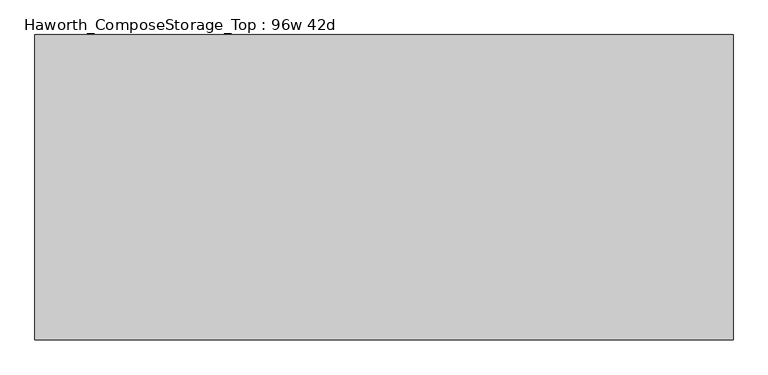
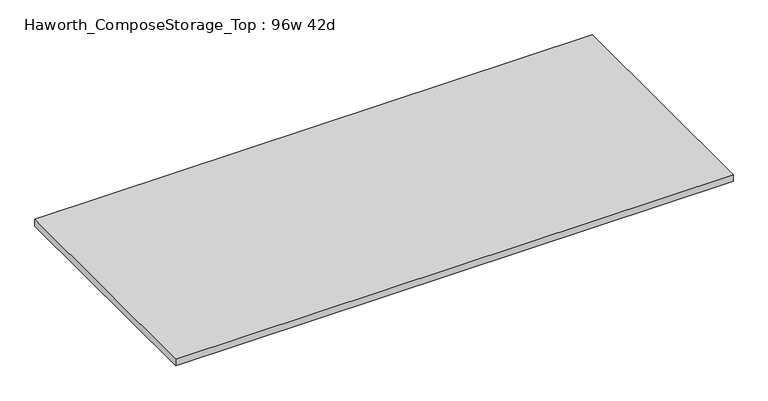
"""IFC4 building model written with IfcOpenShell, lengths in millimetres: furniture geometry, Haworth_ComposeStorage_Top : 96w 42d."""

from ifc_helpers import new_model, si_unit, frame, origin, place, context, project, spatial, polyline, outline, extrude, source, transform, mapped, element, save


def haworth_composestorage_top_96w_42d_392e64f5(model_context):
    return source(origin(), model_context, "Body", "SweptSolid", [
        extrude(outline(polyline([(1219.2, 533.4), (1219.2, -533.4), (-1219.2, -533.4), (-1219.2, 533.4), (1219.2, 533.4)])), frame((0.0, 0.0, 706.4375), z_axis=(0.0, 0.0, 1.0), x_axis=(1.0, 0.0, 0.0)), (0.0, 0.0, 1.0), 30.1625),
    ])


if __name__ == "__main__":
    model = new_model("IFC4")
    model_context = context("Model", 3, world=origin())
    ifc_project = project(units=[si_unit("LENGTHUNIT", "METRE", prefix="MILLI")], contexts=[model_context])
    site = spatial("IfcSite", under=ifc_project)
    building = spatial("IfcBuilding", under=site)
    placement = place(None, origin())
    haworth_composestorage_top_96w_42d_shape = haworth_composestorage_top_96w_42d_392e64f5(model_context)
    element("IfcFurniture", 1, ObjectType="Haworth_ComposeStorage_Top : 96w 42d", at=placement, inside=building, context=model_context, shape_type="MappedRepresentation", body=[
        mapped(haworth_composestorage_top_96w_42d_shape, transform((0.0, 0.0, 0.0), x_axis=(1.0, 0.0, 0.0), y_axis=(0.0, 1.0, 0.0), z_axis=(0.0, 0.0, 1.0))),
    ])
    save(model, "model.ifc")
